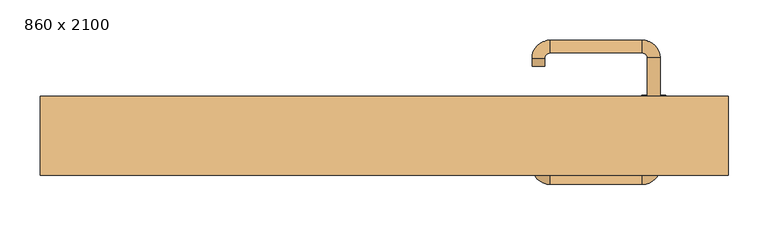
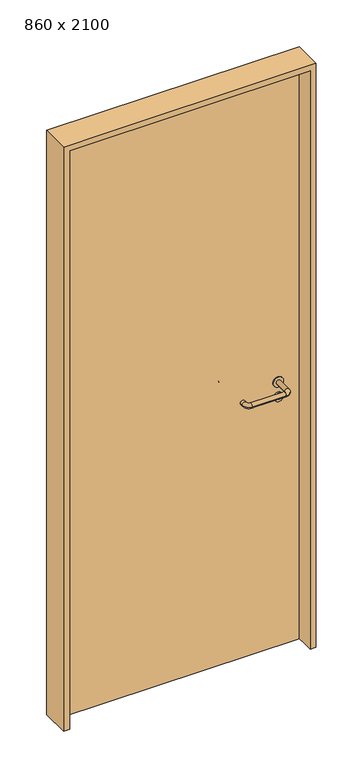
"""IFC4 building model written with IfcOpenShell, lengths in millimetres: door geometry, 860 x 2100."""

from ifc_helpers import new_model, si_unit, point, frame, frame_2d, origin, origin_with_axes, place, context, project, spatial, polyline, circle_curve, ellipse_curve, trimmed, segment, composite_curve, outline, extrude, source, transform, mapped, element, save
from ifc_brep_helpers import plane_surface, cylinder_surface, revolved_surface, advanced_brep


def door_860_x_2100_db6fce01(model_context):
    return source(origin(), model_context, "Body", "SolidModel", [
        extrude(outline(composite_curve([segment(trimmed(circle_curve(frame_2d((897.3605726, 337.0)), 15.0), [point((897.3605726, 352.0))], [point((897.3605726, 322.0))], False, "CARTESIAN"), True, "CONTINUOUS"), segment(trimmed(circle_curve(frame_2d((897.3605726, 337.0)), 15.0), [point((897.3605726, 322.0))], [point((897.3605726, 352.0))], False, "CARTESIAN"), True, "CONTINUOUS")], self_intersect=False), holes=[composite_curve([segment(trimmed(circle_curve(frame_2d((892.5833211, 336.9398032)), 2.0), [point((892.5833211, 338.9398032))], [point((892.5833211, 334.9398032))], True, "CARTESIAN"), True, "CONTINUOUS"), segment(polyline([(892.5833211, 334.9398032), (902.5833211, 334.9398032)]), True, "CONTINUOUS"), segment(trimmed(circle_curve(frame_2d((902.5833211, 336.9398032)), 2.0), [point((902.5833211, 334.9398032))], [point((902.5833211, 338.9398032))], True, "CARTESIAN"), True, "CONTINUOUS"), segment(polyline([(902.5833211, 338.9398032), (892.5833211, 338.9398032)]), True, "CONTINUOUS")], self_intersect=False)]), frame((0.0, 8.65, 0.0), z_axis=(0.0, 1.0, 0.0), x_axis=(0.0, 0.0, 1.0)), (0.0, 0.0, 1.0), 6.35),
        extrude(outline(composite_curve([segment(trimmed(circle_curve(frame_2d((950.0, 337.0)), 17.526), [point((950.0, 354.526))], [point((950.0, 319.474))], False, "CARTESIAN"), True, "CONTINUOUS"), segment(trimmed(circle_curve(frame_2d((950.0, 337.0)), 17.526), [point((950.0, 319.474))], [point((950.0, 354.526))], False, "CARTESIAN"), True, "CONTINUOUS")], self_intersect=False)), frame((0.0, 11.825, 0.0), z_axis=(0.0, 1.0, 0.0), x_axis=(0.0, 0.0, 1.0)), (0.0, 0.0, 1.0), 3.175),
        advanced_brep(
        [(345.0, 15.0, 950.0), (329.0, 15.0, 950.0), (329.0, -38.0, 950.0), (345.0, -38.0, 950.0), (322.8578644, -44.1421356, 950.0), (322.8578644, -60.1421356, 950.0), (207.8578644, -44.1421356, 950.0), (207.8578644, -60.1421356, 950.0), (201.008622, -37.2928932, 950.0), (185.008622, -37.2928932, 950.0), (185.008622, -27.2928932, 950.0), (201.008622, -27.2928932, 950.0)],
        [
            (0, 1, circle_curve(frame((337.0, 15.0, 950.0), z_axis=(0.0, 1.0, 0.0), x_axis=(-1.0, 0.0, 0.0)), 8.0)),
            (1, 0, circle_curve(frame((337.0, 15.0, 950.0), z_axis=(0.0, 1.0, 0.0), x_axis=(-1.0, 0.0, 0.0)), 8.0)),
            (1, 2),
            (2, 3, circle_curve(frame((337.0, -38.0, 950.0), z_axis=(0.0, 1.0, 0.0), x_axis=(-1.0, 0.0, 0.0)), 8.0)),
            (3, 0),
            (3, 2, circle_curve(frame((337.0, -38.0, 950.0), z_axis=(0.0, 1.0, 0.0), x_axis=(-1.0, 0.0, 0.0)), 8.0)),
            (4, 5, circle_curve(frame((322.8578644, -52.1421356, 950.0), z_axis=(1.0, 0.0, 0.0), x_axis=(0.0, 1.0, 0.0)), 8.0)),
            (5, 3, circle_curve(frame((322.8578644, -38.0, 950.0), z_axis=(0.0, 0.0, 1.0), x_axis=(1.0, 0.0, 0.0)), 22.1421356)),
            (2, 4, circle_curve(frame((322.8578644, -38.0, 950.0), z_axis=(0.0, 0.0, -1.0), x_axis=(1.0, 0.0, 0.0)), 6.1421356)),
            (5, 4, circle_curve(frame((322.8578644, -52.1421356, 950.0), z_axis=(1.0, 0.0, 0.0), x_axis=(0.0, 1.0, 0.0)), 8.0)),
            (4, 6),
            (6, 7, circle_curve(frame((207.8578644, -52.1421356, 950.0), z_axis=(1.0, 0.0, 0.0), x_axis=(0.0, 1.0, 0.0)), 8.0)),
            (7, 5),
            (7, 6, circle_curve(frame((207.8578644, -52.1421356, 950.0), z_axis=(1.0, 0.0, 0.0), x_axis=(0.0, 1.0, 0.0)), 8.0)),
            (8, 9, circle_curve(frame((193.008622, -37.2928932, 950.0), z_axis=(0.0, -1.0, 0.0), x_axis=(1.0, 0.0, 0.0)), 8.0)),
            (9, 7, circle_curve(frame((207.8578644, -37.2928932, 950.0), z_axis=(0.0, 0.0, 1.0), x_axis=(0.0, -1.0, 0.0)), 22.8492424)),
            (6, 8, circle_curve(frame((207.8578644, -37.2928932, 950.0), z_axis=(0.0, 0.0, -1.0), x_axis=(0.0, -1.0, 0.0)), 6.8492424)),
            (9, 8, circle_curve(frame((193.008622, -37.2928932, 950.0), z_axis=(0.0, -1.0, 0.0), x_axis=(1.0, 0.0, 0.0)), 8.0)),
            (10, 11, circle_curve(frame((193.008622, -27.2928932, 950.0), z_axis=(0.0, 1.0, 0.0), x_axis=(1.0, 0.0, 0.0)), 8.0)),
            (11, 10, circle_curve(frame((193.008622, -27.2928932, 950.0), z_axis=(0.0, 1.0, 0.0), x_axis=(1.0, 0.0, 0.0)), 8.0)),
            (8, 11),
            (10, 9),
        ],
        [
            plane_surface(frame((337.0, 15.0, 0.0), z_axis=(0.0, 1.0, 0.0), x_axis=(0.0, 0.0, 1.0))),
            cylinder_surface(frame((337.0, 15.0, 950.0), z_axis=(0.0, 1.0, 0.0), x_axis=(-1.0, 0.0, 0.0)), 8.0),
            revolved_surface(trimmed(ellipse_curve(frame((337.0, -38.0, 950.0), z_axis=(0.0, -1.0, 0.0), x_axis=(-1.0, 0.0, 0.0)), 8.0, 8.0), [point((345.0, -38.0, 950.0))], [point((329.0, -38.0, 950.0))], True, "CARTESIAN"), (322.8578644, -38.0, 0.0), (0.0, 0.0, 1.0)),
            revolved_surface(trimmed(ellipse_curve(frame((337.0, -38.0, 950.0), z_axis=(0.0, -1.0, 0.0), x_axis=(-1.0, 0.0, 0.0)), 8.0, 8.0), [point((329.0, -38.0, 950.0))], [point((345.0, -38.0, 950.0))], True, "CARTESIAN"), (322.8578644, -38.0, 0.0), (0.0, 0.0, 1.0)),
            cylinder_surface(frame((322.8578644, -52.1421356, 950.0), z_axis=(1.0, 0.0, 0.0), x_axis=(0.0, 1.0, 0.0)), 8.0),
            revolved_surface(trimmed(ellipse_curve(frame((207.8578644, -52.1421356, 950.0), z_axis=(-1.0, 0.0, 0.0), x_axis=(0.0, 1.0, 0.0)), 8.0, 8.0), [point((207.8578644, -60.1421356, 950.0))], [point((207.8578644, -44.1421356, 950.0))], True, "CARTESIAN"), (207.8578644, -37.2928932, 0.0), (0.0, 0.0, 1.0)),
            revolved_surface(trimmed(ellipse_curve(frame((207.8578644, -52.1421356, 950.0), z_axis=(-1.0, 0.0, 0.0), x_axis=(0.0, 1.0, 0.0)), 8.0, 8.0), [point((207.8578644, -44.1421356, 950.0))], [point((207.8578644, -60.1421356, 950.0))], True, "CARTESIAN"), (207.8578644, -37.2928932, 0.0), (0.0, 0.0, 1.0)),
            plane_surface(frame((193.008622, -27.2928932, 0.0), z_axis=(0.0, 1.0, 0.0), x_axis=(0.0, 0.0, 1.0))),
            cylinder_surface(frame((193.008622, -37.2928932, 950.0), z_axis=(0.0, -1.0, 0.0), x_axis=(1.0, 0.0, 0.0)), 8.0),
        ],
        [
            (0, [[1, 2]]),
            (1, [[3, 4, 5, -2]]),
            (1, [[-5, 6, -3, -1]]),
            (2, [[7, 8, -4, 9]]),
            (3, [[10, -9, -6, -8]]),
            (4, [[11, 12, 13, -7]]),
            (4, [[-13, 14, -11, -10]]),
            (5, [[15, 16, -12, 17]]),
            (6, [[18, -17, -14, -16]]),
            (7, [[19, 20]]),
            (8, [[21, -19, 22, -15]]),
            (8, [[-22, -20, -21, -18]]),
        ],
    ),
        extrude(outline(composite_curve([segment(trimmed(circle_curve(frame_2d((0.0, -15.0)), 15.0), [point((0.0, -30.0))], [point((0.0, 0.0))], False, "CARTESIAN"), True, "CONTINUOUS"), segment(trimmed(circle_curve(frame_2d((0.0, -15.0)), 15.0), [point((0.0, 0.0))], [point((0.0, -30.0))], False, "CARTESIAN"), True, "CONTINUOUS")], self_intersect=False), holes=[composite_curve([segment(trimmed(circle_curve(frame_2d((4.7772515, -14.9398032)), 2.0), [point((4.7772515, -16.9398032))], [point((4.7772515, -12.9398032))], True, "CARTESIAN"), True, "CONTINUOUS"), segment(polyline([(4.7772515, -12.9398032), (-5.2227485, -12.9398032)]), True, "CONTINUOUS"), segment(trimmed(circle_curve(frame_2d((-5.2227485, -14.9398032)), 2.0), [point((-5.2227485, -12.9398032))], [point((-5.2227485, -16.9398032))], True, "CARTESIAN"), True, "CONTINUOUS"), segment(polyline([(-5.2227485, -16.9398032), (4.7772515, -16.9398032)]), True, "CONTINUOUS")], self_intersect=False)]), frame((322.0, 45.0, 897.3605726), z_axis=(1.8870575173328306e-12, 1.0, 0.0), x_axis=(0.0, 0.0, -1.0)), (0.0, 0.0, 1.0), 6.35),
        extrude(outline(composite_curve([segment(trimmed(circle_curve(frame_2d((0.0, -17.526)), 17.526), [point((0.0, -35.052))], [point((0.0, 0.0))], False, "CARTESIAN"), True, "CONTINUOUS"), segment(trimmed(circle_curve(frame_2d((0.0, -17.526)), 17.526), [point((0.0, 0.0))], [point((0.0, -35.052))], False, "CARTESIAN"), True, "CONTINUOUS")], self_intersect=False)), frame((319.474, 45.0, 950.0), z_axis=(1.8870575173328306e-12, 1.0, 0.0), x_axis=(0.0, 0.0, -1.0)), (0.0, 0.0, 1.0), 3.175),
        advanced_brep(
        [(345.0, 45.0, 950.0), (329.0, 45.0, 950.0), (345.0, 98.0, 950.0), (329.0, 98.0, 950.0), (322.8578644, 104.1421356, 950.0), (322.8578644, 120.1421356, 950.0), (207.8578644, 120.1421356, 950.0), (207.8578644, 104.1421356, 950.0), (201.008622, 97.2928932, 950.0), (185.008622, 97.2928932, 950.0), (185.008622, 87.2928932, 950.0), (201.008622, 87.2928932, 950.0)],
        [
            (0, 1, circle_curve(frame((337.0, 45.0, 950.0), z_axis=(-1.888672253512351e-12, -1.0, 0.0), x_axis=(-1.0, 1.888672253512351e-12, 0.0)), 8.0)),
            (1, 0, circle_curve(frame((337.0, 45.0, 950.0), z_axis=(-1.888672253512351e-12, -1.0, 0.0), x_axis=(-1.0, 1.888672253512351e-12, 0.0)), 8.0)),
            (0, 2),
            (2, 3, circle_curve(frame((337.0, 98.0, 950.0), z_axis=(-1.888672253512351e-12, -1.0, 0.0), x_axis=(-1.0, 1.888672253512351e-12, 0.0)), 8.0)),
            (3, 1),
            (3, 2, circle_curve(frame((337.0, 98.0, 950.0), z_axis=(-1.888672253512351e-12, -1.0, 0.0), x_axis=(-1.0, 1.888672253512351e-12, 0.0)), 8.0)),
            (4, 3, circle_curve(frame((322.8578644, 98.0, 950.0), z_axis=(0.0, 0.0, -1.0), x_axis=(1.0, -1.880717803715015e-12, 0.0)), 6.1421356)),
            (2, 5, circle_curve(frame((322.8578644, 98.0, 950.0), z_axis=(0.0, 0.0, 1.0), x_axis=(1.0, -1.880717803715015e-12, 0.0)), 22.1421356)),
            (5, 4, circle_curve(frame((322.8578644, 112.1421356, 950.0), z_axis=(1.0, -1.913702061528922e-12, 0.0), x_axis=(-1.913702061528922e-12, -1.0, 0.0)), 8.0)),
            (4, 5, circle_curve(frame((322.8578644, 112.1421356, 950.0), z_axis=(1.0, -1.913702061528922e-12, 0.0), x_axis=(-1.913702061528922e-12, -1.0, 0.0)), 8.0)),
            (5, 6),
            (6, 7, circle_curve(frame((207.8578644, 112.1421356, 950.0), z_axis=(1.0, -1.913719828541269e-12, 0.0), x_axis=(-1.913719828541269e-12, -1.0, 0.0)), 8.0)),
            (7, 4),
            (7, 6, circle_curve(frame((207.8578644, 112.1421356, 950.0), z_axis=(1.0, -1.913719828541269e-12, 0.0), x_axis=(-1.913719828541269e-12, -1.0, 0.0)), 8.0)),
            (8, 7, circle_curve(frame((207.8578644, 97.2928932, 950.0), z_axis=(0.0, 0.0, -1.0), x_axis=(1.9120873253494017e-12, 1.0, 0.0)), 6.8492424)),
            (6, 9, circle_curve(frame((207.8578644, 97.2928932, 950.0), z_axis=(0.0, 0.0, 1.0), x_axis=(1.9120873253494017e-12, 1.0, 0.0)), 22.8492424)),
            (9, 8, circle_curve(frame((193.008622, 97.2928932, 950.0), z_axis=(1.890448610351751e-12, 1.0, 0.0), x_axis=(1.0, -1.890448610351751e-12, 0.0)), 8.0)),
            (8, 9, circle_curve(frame((193.008622, 97.2928932, 950.0), z_axis=(1.8888942981172756e-12, 1.0, 0.0), x_axis=(1.0, -1.8888942981172756e-12, 0.0)), 8.0)),
            (10, 11, circle_curve(frame((193.008622, 87.2928932, 950.0), z_axis=(-1.8903642334018795e-12, -1.0, 0.0), x_axis=(1.0, -1.8903642334018795e-12, 0.0)), 8.0)),
            (11, 10, circle_curve(frame((193.008622, 87.2928932, 950.0), z_axis=(-1.8903642334018795e-12, -1.0, 0.0), x_axis=(1.0, -1.8903642334018795e-12, 0.0)), 8.0)),
            (9, 10),
            (11, 8),
        ],
        [
            plane_surface(frame((337.0, 45.0, 0.0), z_axis=(-1.8870575173328306e-12, -1.0, 0.0), x_axis=(0.0, 0.0, 1.0))),
            cylinder_surface(frame((337.0, 45.0, 950.0), z_axis=(-1.888672253512351e-12, -1.0, 0.0), x_axis=(-1.0, 1.888672253512351e-12, 0.0)), 8.0),
            revolved_surface(trimmed(ellipse_curve(frame((337.0, 98.0, 950.0), z_axis=(-1.8823325398945356e-12, -1.0, 0.0), x_axis=(-1.0, 1.8823325398945356e-12, 0.0)), 8.0, 8.0), [point((345.0, 98.0, 950.0))], [point((329.0, 98.0, 950.0))], True, "CARTESIAN"), (322.8578644, 98.0, 0.0), (0.0, 0.0, 1.0)),
            revolved_surface(trimmed(ellipse_curve(frame((337.0, 98.0, 950.0), z_axis=(-1.8823325398945356e-12, -1.0, 0.0), x_axis=(-1.0, 1.8823325398945356e-12, 0.0)), 8.0, 8.0), [point((329.0, 98.0, 950.0))], [point((345.0, 98.0, 950.0))], True, "CARTESIAN"), (322.8578644, 98.0, 0.0), (0.0, 0.0, 1.0)),
            cylinder_surface(frame((322.8578644, 112.1421356, 950.0), z_axis=(1.0, -1.913719828541269e-12, 0.0), x_axis=(-1.913719828541269e-12, -1.0, 0.0)), 8.0),
            revolved_surface(trimmed(ellipse_curve(frame((207.8578644, 112.1421356, 950.0), z_axis=(1.0, -1.913702061528922e-12, 0.0), x_axis=(-1.913702061528922e-12, -1.0, 0.0)), 8.0, 8.0), [point((207.8578644, 120.1421356, 950.0))], [point((207.8578644, 104.1421356, 950.0))], True, "CARTESIAN"), (207.8578644, 97.2928932, 0.0), (0.0, 0.0, 1.0)),
            revolved_surface(trimmed(ellipse_curve(frame((207.8578644, 112.1421356, 950.0), z_axis=(1.0, -1.913702061528922e-12, 0.0), x_axis=(-1.913702061528922e-12, -1.0, 0.0)), 8.0, 8.0), [point((207.8578644, 104.1421356, 950.0))], [point((207.8578644, 120.1421356, 950.0))], True, "CARTESIAN"), (207.8578644, 97.2928932, 0.0), (0.0, 0.0, 1.0)),
            plane_surface(frame((193.008622, 87.2928932, 0.0), z_axis=(-1.8887494972223595e-12, -1.0, 0.0), x_axis=(0.0, 0.0, 1.0))),
            cylinder_surface(frame((193.008622, 97.2928932, 950.0), z_axis=(1.8903642334018795e-12, 1.0, 0.0), x_axis=(1.0, -1.8903642334018795e-12, 0.0)), 8.0),
        ],
        [
            (0, [[1, 2]]),
            (1, [[-1, 3, 4, 5]]),
            (1, [[-2, -5, 6, -3]]),
            (2, [[7, -4, 8, 9]]),
            (3, [[-8, -6, -7, 10]]),
            (4, [[-9, 11, 12, 13]]),
            (4, [[-10, -13, 14, -11]]),
            (5, [[15, -12, 16, 17]]),
            (6, [[-16, -14, -15, 18]]),
            (7, [[19, 20]]),
            (8, [[-17, 21, -20, 22]]),
            (8, [[-18, -22, -19, -21]]),
        ],
    ),
        extrude(outline(polyline([(2080.0, 410.0), (0.0, 410.0), (0.0, 430.0), (2100.0, 430.0), (2100.0, -430.0), (0.0, -430.0), (0.0, -410.0), (2080.0, -410.0), (2080.0, 410.0)])), frame((0.0, -49.0, 0.0), z_axis=(0.0, 1.0, 0.0), x_axis=(0.0, 0.0, 1.0)), (0.0, 0.0, 1.0), 99.0),
        extrude(outline(polyline([(-410.0, 45.0), (410.0, 45.0), (410.0, 15.0), (-410.0, 15.0), (-410.0, 45.0)])), origin_with_axes(), (0.0, 0.0, 1.0), 2080.0),
    ])


if __name__ == "__main__":
    model = new_model("IFC4")
    model_context = context("Model", 3, world=origin())
    ifc_project = project(units=[si_unit("LENGTHUNIT", "METRE", prefix="MILLI")], contexts=[model_context])
    site = spatial("IfcSite", under=ifc_project)
    building = spatial("IfcBuilding", under=site)
    placement = place(None, origin())
    door_860_x_2100_shape = door_860_x_2100_db6fce01(model_context)
    element("IfcDoor", 1, ObjectType="860 x 2100", at=placement, inside=building, context=model_context, shape_type="MappedRepresentation", body=[
        mapped(door_860_x_2100_shape, transform((0.0, 0.0, 0.0), x_axis=(1.0, 0.0, 0.0), y_axis=(0.0, 1.0, 0.0), z_axis=(0.0, 0.0, 1.0))),
    ])
    save(model, "model.ifc")
